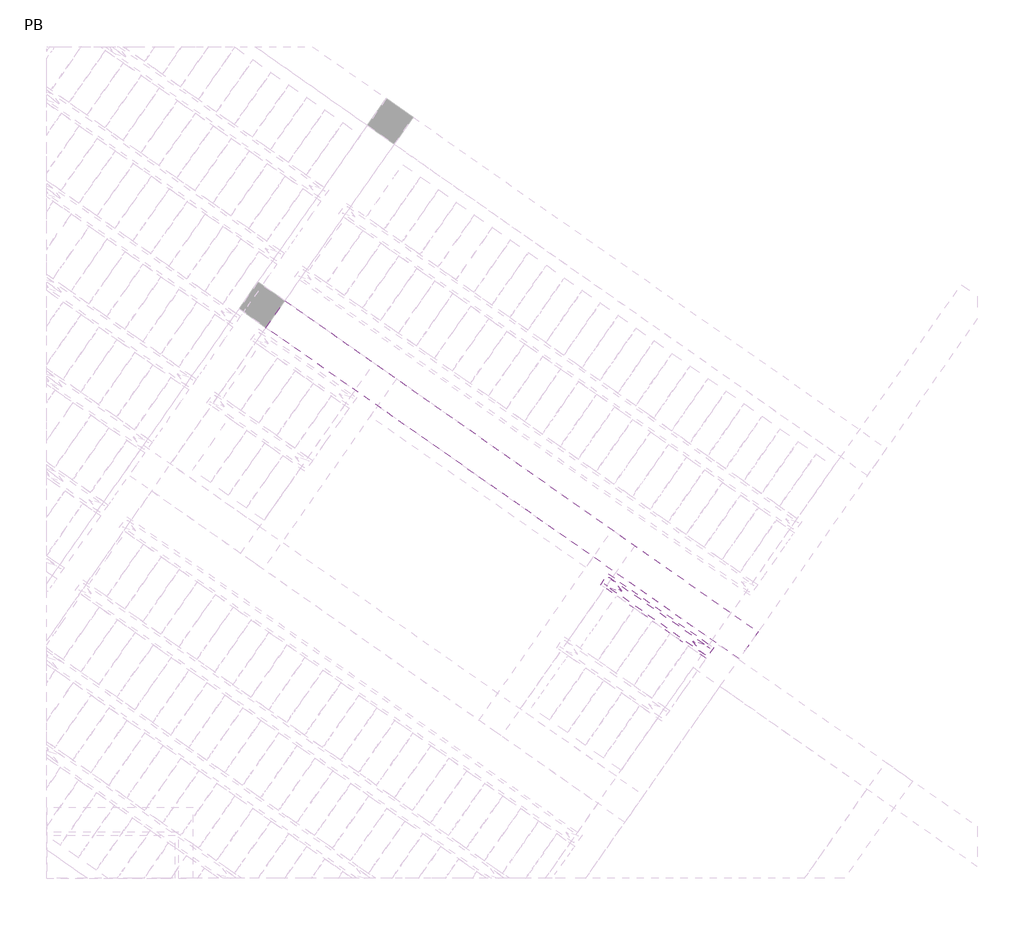
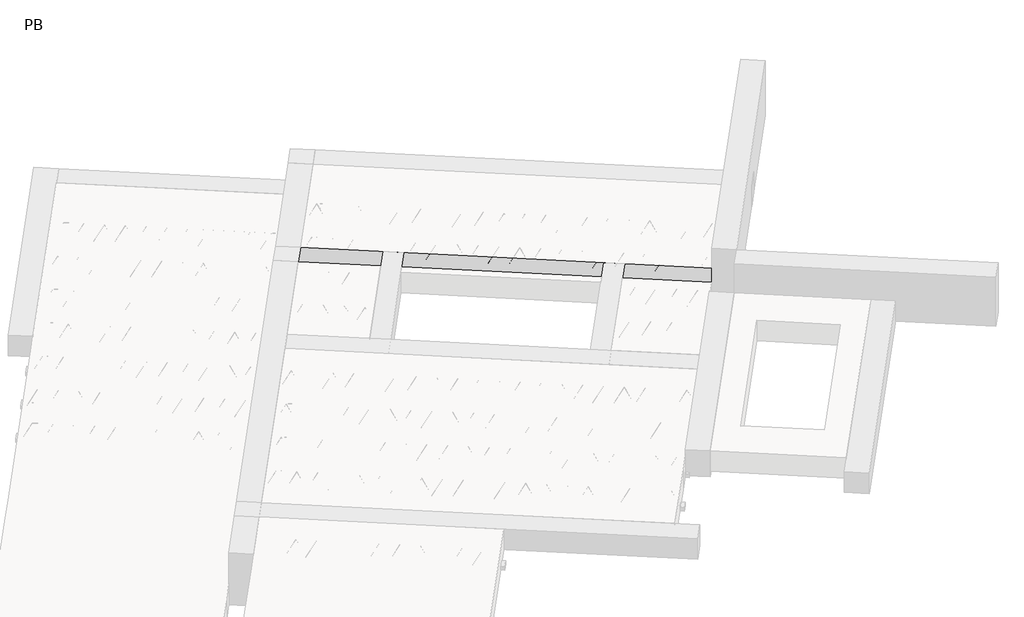
# One storey, part 43 of 56: 4 beams.
"""IFC4 building model written with IfcOpenShell, lengths in millimetres."""

from ifc_helpers import new_model, si_unit, point, frame, origin, origin_2d, place, context, project, spatial, polyline, circle_curve, trimmed, segment, composite_curve, outline, extrude, element, save

model = new_model("IFC4")

# Units and contexts
model_context = context("Model", 3, world=origin())
ifc_project = project(units=[si_unit("LENGTHUNIT", "METRE", prefix="MILLI")], contexts=[model_context])

# Site, building, storey
site = spatial("IfcSite", under=ifc_project)
building = spatial("IfcBuilding", under=site)
storey = spatial("IfcBuildingStorey", under=building, Name="PB", Elevation=95940.0)

# Beams
placement = place(None, origin())
element("IfcBeam", 1, at=placement, inside=storey, context=model_context, shape_type="SweptSolid", body=[
    extrude(outline(composite_curve([segment(trimmed(circle_curve(origin_2d(), 2.5), [point((-2.5, 0.0))], [point((2.5, 0.0))], False, "CARTESIAN"), True, "CONTINUOUS"), segment(trimmed(circle_curve(origin_2d(), 2.5), [point((2.5, 0.0))], [point((-2.5, 0.0))], False, "CARTESIAN"), True, "CONTINUOUS")], self_intersect=False)), frame((9872.3294915, 4335.8820361, 99245.0), z_axis=(-0.8191520442696126, 0.5735764363787226, 0.0), x_axis=(0.5735764363787226, 0.8191520442696126, 0.0)), (0.0, 0.0, 1.0), 1124.819566),
    extrude(outline(composite_curve([segment(trimmed(circle_curve(origin_2d(), 2.5), [point((-2.5, 0.0))], [point((2.5, 0.0))], False, "CARTESIAN"), True, "CONTINUOUS"), segment(trimmed(circle_curve(origin_2d(), 2.5), [point((2.5, 0.0))], [point((-2.5, 0.0))], False, "CARTESIAN"), True, "CONTINUOUS")], self_intersect=False)), frame((9780.4187384, 4444.1865235, 99470.0), z_axis=(-0.8191520442696126, 0.5735764363787226, 0.0), x_axis=(0.5735764363787226, 0.8191520442696126, 0.0)), (0.0, 0.0, 1.0), 850.0),
    extrude(outline(composite_curve([segment(trimmed(circle_curve(origin_2d(), 2.5), [point((-2.5, -1e-07))], [point((2.5, 0.0))], False, "CARTESIAN"), True, "CONTINUOUS"), segment(trimmed(circle_curve(origin_2d(), 2.5), [point((2.5, 0.0))], [point((-2.5, -1e-07))], False, "CARTESIAN"), True, "CONTINUOUS")], self_intersect=False)), frame((9821.20639, 4371.6788172, 99245.0), z_axis=(-0.3145304735701046, 0.38933448886848654, 0.8657304643902053), x_axis=(0.7778747638402499, 0.6284193279813057, 0.0)), (0.0, 0.0, 1.0), 259.8961331),
    extrude(outline(composite_curve([segment(trimmed(circle_curve(origin_2d(), 2.5), [point((2.5, -1e-07))], [point((-2.5, 0.0))], False, "CARTESIAN"), True, "CONTINUOUS"), segment(trimmed(circle_curve(origin_2d(), 2.5), [point((-2.5, 0.0))], [point((2.5, -1e-07))], False, "CARTESIAN"), True, "CONTINUOUS")], self_intersect=False)), frame((9616.418379, 4515.0729263, 99245.0), z_axis=(0.47343050384693375, -0.16240172737369005, 0.8657304643902051), x_axis=(-0.3244721671091268, -0.9458952440791246, 0.0)), (0.0, 0.0, 1.0), 259.8961331),
    extrude(outline(composite_curve([segment(trimmed(circle_curve(origin_2d(), 2.5), [point((-2.5000001, 0.0))], [point((2.5, 0.0))], False, "CARTESIAN"), True, "CONTINUOUS"), segment(trimmed(circle_curve(origin_2d(), 2.5), [point((2.5, 0.0))], [point((-2.5000001, 0.0))], False, "CARTESIAN"), True, "CONTINUOUS")], self_intersect=False)), frame((9616.418379, 4515.0729263, 99245.0), z_axis=(-0.3145304735701046, 0.38933448886848654, 0.8657304643902053), x_axis=(0.7778747638402499, 0.6284193279813057, 0.0)), (0.0, 0.0, 1.0), 259.8961331),
    extrude(outline(composite_curve([segment(trimmed(circle_curve(origin_2d(), 2.5), [point((2.5000001, 0.0))], [point((-2.5, 0.0))], False, "CARTESIAN"), True, "CONTINUOUS"), segment(trimmed(circle_curve(origin_2d(), 2.5), [point((-2.5, 0.0))], [point((2.5000001, 0.0))], False, "CARTESIAN"), True, "CONTINUOUS")], self_intersect=False)), frame((9411.6303679, 4658.4670354, 99245.0), z_axis=(0.47343050384693375, -0.16240172737369005, 0.8657304643902051), x_axis=(-0.3244721671091268, -0.9458952440791246, 0.0)), (0.0, 0.0, 1.0), 259.8961331),
    extrude(outline(composite_curve([segment(trimmed(circle_curve(origin_2d(), 2.5), [point((-2.5, -1e-07))], [point((2.5, 0.0))], False, "CARTESIAN"), True, "CONTINUOUS"), segment(trimmed(circle_curve(origin_2d(), 2.5), [point((2.5, 0.0))], [point((-2.5, -1e-07))], False, "CARTESIAN"), True, "CONTINUOUS")], self_intersect=False)), frame((9411.6303679, 4658.4670354, 99245.0), z_axis=(-0.3145304735701046, 0.38933448886848654, 0.8657304643902053), x_axis=(0.7778747638402499, 0.6284193279813057, 0.0)), (0.0, 0.0, 1.0), 259.8961331),
    extrude(outline(composite_curve([segment(trimmed(circle_curve(origin_2d(), 2.5), [point((2.5000001, 0.0))], [point((-2.5, 0.0))], False, "CARTESIAN"), True, "CONTINUOUS"), segment(trimmed(circle_curve(origin_2d(), 2.5), [point((-2.5, 0.0))], [point((2.5000001, 0.0))], False, "CARTESIAN"), True, "CONTINUOUS")], self_intersect=False)), frame((9206.8423568, 4801.8611445, 99245.0), z_axis=(0.47343050384693375, -0.16240172737369005, 0.8657304643902051), x_axis=(-0.3244721671091268, -0.9458952440791246, 0.0)), (0.0, 0.0, 1.0), 259.8961331),
    extrude(outline(composite_curve([segment(trimmed(circle_curve(origin_2d(), 2.5), [point((-2.5, -1e-07))], [point((2.5, 0.0))], False, "CARTESIAN"), True, "CONTINUOUS"), segment(trimmed(circle_curve(origin_2d(), 2.5), [point((2.5, 0.0))], [point((-2.5, -1e-07))], False, "CARTESIAN"), True, "CONTINUOUS")], self_intersect=False)), frame((9206.8423568, 4801.8611445, 99245.0), z_axis=(-0.3145304735701046, 0.38933448886848654, 0.8657304643902053), x_axis=(0.7778747638402499, 0.6284193279813057, 0.0)), (0.0, 0.0, 1.0), 259.8961331),
    extrude(outline(composite_curve([segment(trimmed(circle_curve(origin_2d(), 2.5), [point((2.5, -1e-07))], [point((-2.5000001, 0.0))], False, "CARTESIAN"), True, "CONTINUOUS"), segment(trimmed(circle_curve(origin_2d(), 2.5), [point((-2.5000001, 0.0))], [point((2.5, -1e-07))], False, "CARTESIAN"), True, "CONTINUOUS")], self_intersect=False)), frame((9002.0543458, 4945.2552535, 99245.0), z_axis=(0.47343050384693375, -0.16240172737369005, 0.8657304643902051), x_axis=(-0.3244721671091268, -0.9458952440791246, 0.0)), (0.0, 0.0, 1.0), 259.8961331),
    extrude(outline(composite_curve([segment(trimmed(circle_curve(origin_2d(), 2.5), [point((-2.5, 0.0))], [point((2.5, 0.0))], False, "CARTESIAN"), True, "CONTINUOUS"), segment(trimmed(circle_curve(origin_2d(), 2.5), [point((2.5, 0.0))], [point((-2.5, 0.0))], False, "CARTESIAN"), True, "CONTINUOUS")], self_intersect=False)), frame((9913.6269949, 4394.8609833, 99245.0), z_axis=(-0.8191520442696126, 0.5735764363787226, 0.0), x_axis=(0.5735764363787226, 0.8191520442696126, 0.0)), (0.0, 0.0, 1.0), 1124.819566),
    extrude(outline(composite_curve([segment(trimmed(circle_curve(origin_2d(), 2.5), [point((-2.5, 1e-07))], [point((2.5000001, 0.0))], False, "CARTESIAN"), True, "CONTINUOUS"), segment(trimmed(circle_curve(origin_2d(), 2.5), [point((2.5000001, 0.0))], [point((-2.5, 1e-07))], False, "CARTESIAN"), True, "CONTINUOUS")], self_intersect=False)), frame((9862.5038935, 4430.6577643, 99245.0), z_axis=(-0.47343050384693375, 0.16240172737369005, 0.8657304643902051), x_axis=(0.3244721671091268, 0.9458952440791246, 0.0)), (0.0, 0.0, 1.0), 259.8961331),
    extrude(outline(composite_curve([segment(trimmed(circle_curve(origin_2d(), 2.5), [point((2.5, 0.0))], [point((-2.5, -1e-07))], False, "CARTESIAN"), True, "CONTINUOUS"), segment(trimmed(circle_curve(origin_2d(), 2.5), [point((-2.5, -1e-07))], [point((2.5, 0.0))], False, "CARTESIAN"), True, "CONTINUOUS")], self_intersect=False)), frame((9657.7158824, 4574.0518734, 99245.0), z_axis=(0.3145304735701046, -0.38933448886848654, 0.8657304643902053), x_axis=(-0.7778747638402499, -0.6284193279813057, 0.0)), (0.0, 0.0, 1.0), 259.8961331),
    extrude(outline(composite_curve([segment(trimmed(circle_curve(origin_2d(), 2.5), [point((-2.5000001, 0.0))], [point((2.5, 0.0))], False, "CARTESIAN"), True, "CONTINUOUS"), segment(trimmed(circle_curve(origin_2d(), 2.5), [point((2.5, 0.0))], [point((-2.5000001, 0.0))], False, "CARTESIAN"), True, "CONTINUOUS")], self_intersect=False)), frame((9657.7158824, 4574.0518735, 99245.0), z_axis=(-0.47343050384693375, 0.16240172737369005, 0.8657304643902051), x_axis=(0.3244721671091268, 0.9458952440791246, 0.0)), (0.0, 0.0, 1.0), 259.8961331),
    extrude(outline(composite_curve([segment(trimmed(circle_curve(origin_2d(), 2.5), [point((2.5, 0.0))], [point((-2.5, -1e-07))], False, "CARTESIAN"), True, "CONTINUOUS"), segment(trimmed(circle_curve(origin_2d(), 2.5), [point((-2.5, -1e-07))], [point((2.5, 0.0))], False, "CARTESIAN"), True, "CONTINUOUS")], self_intersect=False)), frame((9452.9278713, 4717.4459825, 99245.0), z_axis=(0.3145304735701046, -0.38933448886848654, 0.8657304643902053), x_axis=(-0.7778747638402499, -0.6284193279813057, 0.0)), (0.0, 0.0, 1.0), 259.8961331),
    extrude(outline(composite_curve([segment(trimmed(circle_curve(origin_2d(), 2.5), [point((-2.5, 0.0))], [point((2.5000001, 0.0))], False, "CARTESIAN"), True, "CONTINUOUS"), segment(trimmed(circle_curve(origin_2d(), 2.5), [point((2.5000001, 0.0))], [point((-2.5, 0.0))], False, "CARTESIAN"), True, "CONTINUOUS")], self_intersect=False)), frame((9452.9278713, 4717.4459825, 99245.0), z_axis=(-0.47343050384693375, 0.16240172737369005, 0.8657304643902051), x_axis=(0.3244721671091268, 0.9458952440791246, 0.0)), (0.0, 0.0, 1.0), 259.8961331),
    extrude(outline(composite_curve([segment(trimmed(circle_curve(origin_2d(), 2.5), [point((2.5, 0.0))], [point((-2.5, -1e-07))], False, "CARTESIAN"), True, "CONTINUOUS"), segment(trimmed(circle_curve(origin_2d(), 2.5), [point((-2.5, -1e-07))], [point((2.5, 0.0))], False, "CARTESIAN"), True, "CONTINUOUS")], self_intersect=False)), frame((9248.1398602, 4860.8400916, 99245.0), z_axis=(0.3145304735701046, -0.38933448886848654, 0.8657304643902053), x_axis=(-0.7778747638402499, -0.6284193279813057, 0.0)), (0.0, 0.0, 1.0), 259.8961331),
    extrude(outline(composite_curve([segment(trimmed(circle_curve(origin_2d(), 2.5), [point((-2.5, 0.0))], [point((2.5000001, 0.0))], False, "CARTESIAN"), True, "CONTINUOUS"), segment(trimmed(circle_curve(origin_2d(), 2.5), [point((2.5000001, 0.0))], [point((-2.5, 0.0))], False, "CARTESIAN"), True, "CONTINUOUS")], self_intersect=False)), frame((9248.1398602, 4860.8400916, 99245.0), z_axis=(-0.47343050384693375, 0.16240172737369005, 0.8657304643902051), x_axis=(0.3244721671091268, 0.9458952440791246, 0.0)), (0.0, 0.0, 1.0), 259.8961331),
    extrude(outline(composite_curve([segment(trimmed(circle_curve(origin_2d(), 2.5), [point((2.5, 0.0))], [point((-2.5, -1e-07))], False, "CARTESIAN"), True, "CONTINUOUS"), segment(trimmed(circle_curve(origin_2d(), 2.5), [point((-2.5, -1e-07))], [point((2.5, 0.0))], False, "CARTESIAN"), True, "CONTINUOUS")], self_intersect=False)), frame((9043.3518492, 5004.2342007, 99245.0), z_axis=(0.3145304735701046, -0.38933448886848654, 0.8657304643902053), x_axis=(-0.7778747638402499, -0.6284193279813057, 0.0)), (0.0, 0.0, 1.0), 259.8961331),
])
element("IfcBeam", 2, at=placement, inside=storey, context=model_context, shape_type="SweptSolid", body=[
    extrude(outline(polyline([(8917.5057611, 4975.1582198), (8986.3349334, 5073.4564651), (9947.0524785, 4400.7547979), (9878.2233061, 4302.4565526), (8917.5057611, 4975.1582198)])), frame((0.0, 0.0, 99220.0), z_axis=(0.0, 0.0, 1.0), x_axis=(1.0, 0.0, 0.0)), (0.0, 0.0, 1.0), 50.0),
    extrude(outline(composite_curve([segment(trimmed(circle_curve(origin_2d(), 2.5), [point((-2.5, 0.0))], [point((2.5, 0.0))], False, "CARTESIAN"), True, "CONTINUOUS"), segment(trimmed(circle_curve(origin_2d(), 2.5), [point((2.5, 0.0))], [point((-2.5, 0.0))], False, "CARTESIAN"), True, "CONTINUOUS")], self_intersect=False)), frame((9872.3294915, 4335.8820361, 99245.0), z_axis=(-0.8191520442696126, 0.5735764363787226, 0.0), x_axis=(0.5735764363787226, 0.8191520442696126, 0.0)), (0.0, 0.0, 1.0), 1124.819566),
    extrude(outline(composite_curve([segment(trimmed(circle_curve(origin_2d(), 2.5), [point((-2.5, 0.0))], [point((2.5, 0.0))], False, "CARTESIAN"), True, "CONTINUOUS"), segment(trimmed(circle_curve(origin_2d(), 2.5), [point((2.5, 0.0))], [point((-2.5, 0.0))], False, "CARTESIAN"), True, "CONTINUOUS")], self_intersect=False)), frame((9780.4187384, 4444.1865235, 99470.0), z_axis=(-0.8191520442696126, 0.5735764363787226, 0.0), x_axis=(0.5735764363787226, 0.8191520442696126, 0.0)), (0.0, 0.0, 1.0), 850.0),
    extrude(outline(composite_curve([segment(trimmed(circle_curve(origin_2d(), 2.5), [point((-2.5, -1e-07))], [point((2.5, 0.0))], False, "CARTESIAN"), True, "CONTINUOUS"), segment(trimmed(circle_curve(origin_2d(), 2.5), [point((2.5, 0.0))], [point((-2.5, -1e-07))], False, "CARTESIAN"), True, "CONTINUOUS")], self_intersect=False)), frame((9821.20639, 4371.6788172, 99245.0), z_axis=(-0.3145304735701046, 0.38933448886848654, 0.8657304643902053), x_axis=(0.7778747638402499, 0.6284193279813057, 0.0)), (0.0, 0.0, 1.0), 259.8961331),
    extrude(outline(composite_curve([segment(trimmed(circle_curve(origin_2d(), 2.5), [point((2.5, -1e-07))], [point((-2.5, 0.0))], False, "CARTESIAN"), True, "CONTINUOUS"), segment(trimmed(circle_curve(origin_2d(), 2.5), [point((-2.5, 0.0))], [point((2.5, -1e-07))], False, "CARTESIAN"), True, "CONTINUOUS")], self_intersect=False)), frame((9616.418379, 4515.0729263, 99245.0), z_axis=(0.47343050384693375, -0.16240172737369005, 0.8657304643902051), x_axis=(-0.3244721671091268, -0.9458952440791246, 0.0)), (0.0, 0.0, 1.0), 259.8961331),
    extrude(outline(composite_curve([segment(trimmed(circle_curve(origin_2d(), 2.5), [point((-2.5000001, 0.0))], [point((2.5, 0.0))], False, "CARTESIAN"), True, "CONTINUOUS"), segment(trimmed(circle_curve(origin_2d(), 2.5), [point((2.5, 0.0))], [point((-2.5000001, 0.0))], False, "CARTESIAN"), True, "CONTINUOUS")], self_intersect=False)), frame((9616.418379, 4515.0729263, 99245.0), z_axis=(-0.3145304735701046, 0.38933448886848654, 0.8657304643902053), x_axis=(0.7778747638402499, 0.6284193279813057, 0.0)), (0.0, 0.0, 1.0), 259.8961331),
    extrude(outline(composite_curve([segment(trimmed(circle_curve(origin_2d(), 2.5), [point((2.5000001, 0.0))], [point((-2.5, 0.0))], False, "CARTESIAN"), True, "CONTINUOUS"), segment(trimmed(circle_curve(origin_2d(), 2.5), [point((-2.5, 0.0))], [point((2.5000001, 0.0))], False, "CARTESIAN"), True, "CONTINUOUS")], self_intersect=False)), frame((9411.6303679, 4658.4670354, 99245.0), z_axis=(0.47343050384693375, -0.16240172737369005, 0.8657304643902051), x_axis=(-0.3244721671091268, -0.9458952440791246, 0.0)), (0.0, 0.0, 1.0), 259.8961331),
    extrude(outline(composite_curve([segment(trimmed(circle_curve(origin_2d(), 2.5), [point((-2.5, -1e-07))], [point((2.5, 0.0))], False, "CARTESIAN"), True, "CONTINUOUS"), segment(trimmed(circle_curve(origin_2d(), 2.5), [point((2.5, 0.0))], [point((-2.5, -1e-07))], False, "CARTESIAN"), True, "CONTINUOUS")], self_intersect=False)), frame((9411.6303679, 4658.4670354, 99245.0), z_axis=(-0.3145304735701046, 0.38933448886848654, 0.8657304643902053), x_axis=(0.7778747638402499, 0.6284193279813057, 0.0)), (0.0, 0.0, 1.0), 259.8961331),
    extrude(outline(composite_curve([segment(trimmed(circle_curve(origin_2d(), 2.5), [point((2.5000001, 0.0))], [point((-2.5, 0.0))], False, "CARTESIAN"), True, "CONTINUOUS"), segment(trimmed(circle_curve(origin_2d(), 2.5), [point((-2.5, 0.0))], [point((2.5000001, 0.0))], False, "CARTESIAN"), True, "CONTINUOUS")], self_intersect=False)), frame((9206.8423568, 4801.8611445, 99245.0), z_axis=(0.47343050384693375, -0.16240172737369005, 0.8657304643902051), x_axis=(-0.3244721671091268, -0.9458952440791246, 0.0)), (0.0, 0.0, 1.0), 259.8961331),
    extrude(outline(composite_curve([segment(trimmed(circle_curve(origin_2d(), 2.5), [point((-2.5, -1e-07))], [point((2.5, 0.0))], False, "CARTESIAN"), True, "CONTINUOUS"), segment(trimmed(circle_curve(origin_2d(), 2.5), [point((2.5, 0.0))], [point((-2.5, -1e-07))], False, "CARTESIAN"), True, "CONTINUOUS")], self_intersect=False)), frame((9206.8423568, 4801.8611445, 99245.0), z_axis=(-0.3145304735701046, 0.38933448886848654, 0.8657304643902053), x_axis=(0.7778747638402499, 0.6284193279813057, 0.0)), (0.0, 0.0, 1.0), 259.8961331),
    extrude(outline(composite_curve([segment(trimmed(circle_curve(origin_2d(), 2.5), [point((2.5, -1e-07))], [point((-2.5000001, 0.0))], False, "CARTESIAN"), True, "CONTINUOUS"), segment(trimmed(circle_curve(origin_2d(), 2.5), [point((-2.5000001, 0.0))], [point((2.5, -1e-07))], False, "CARTESIAN"), True, "CONTINUOUS")], self_intersect=False)), frame((9002.0543458, 4945.2552535, 99245.0), z_axis=(0.47343050384693375, -0.16240172737369005, 0.8657304643902051), x_axis=(-0.3244721671091268, -0.9458952440791246, 0.0)), (0.0, 0.0, 1.0), 259.8961331),
    extrude(outline(composite_curve([segment(trimmed(circle_curve(origin_2d(), 2.5), [point((-2.5, 0.0))], [point((2.5, 0.0))], False, "CARTESIAN"), True, "CONTINUOUS"), segment(trimmed(circle_curve(origin_2d(), 2.5), [point((2.5, 0.0))], [point((-2.5, 0.0))], False, "CARTESIAN"), True, "CONTINUOUS")], self_intersect=False)), frame((9913.6269949, 4394.8609833, 99245.0), z_axis=(-0.8191520442696126, 0.5735764363787226, 0.0), x_axis=(0.5735764363787226, 0.8191520442696126, 0.0)), (0.0, 0.0, 1.0), 1124.819566),
    extrude(outline(composite_curve([segment(trimmed(circle_curve(origin_2d(), 2.5), [point((-2.5, 1e-07))], [point((2.5000001, 0.0))], False, "CARTESIAN"), True, "CONTINUOUS"), segment(trimmed(circle_curve(origin_2d(), 2.5), [point((2.5000001, 0.0))], [point((-2.5, 1e-07))], False, "CARTESIAN"), True, "CONTINUOUS")], self_intersect=False)), frame((9862.5038935, 4430.6577643, 99245.0), z_axis=(-0.47343050384693375, 0.16240172737369005, 0.8657304643902051), x_axis=(0.3244721671091268, 0.9458952440791246, 0.0)), (0.0, 0.0, 1.0), 259.8961331),
    extrude(outline(composite_curve([segment(trimmed(circle_curve(origin_2d(), 2.5), [point((2.5, 0.0))], [point((-2.5, -1e-07))], False, "CARTESIAN"), True, "CONTINUOUS"), segment(trimmed(circle_curve(origin_2d(), 2.5), [point((-2.5, -1e-07))], [point((2.5, 0.0))], False, "CARTESIAN"), True, "CONTINUOUS")], self_intersect=False)), frame((9657.7158824, 4574.0518734, 99245.0), z_axis=(0.3145304735701046, -0.38933448886848654, 0.8657304643902053), x_axis=(-0.7778747638402499, -0.6284193279813057, 0.0)), (0.0, 0.0, 1.0), 259.8961331),
    extrude(outline(composite_curve([segment(trimmed(circle_curve(origin_2d(), 2.5), [point((-2.5000001, 0.0))], [point((2.5, 0.0))], False, "CARTESIAN"), True, "CONTINUOUS"), segment(trimmed(circle_curve(origin_2d(), 2.5), [point((2.5, 0.0))], [point((-2.5000001, 0.0))], False, "CARTESIAN"), True, "CONTINUOUS")], self_intersect=False)), frame((9657.7158824, 4574.0518735, 99245.0), z_axis=(-0.47343050384693375, 0.16240172737369005, 0.8657304643902051), x_axis=(0.3244721671091268, 0.9458952440791246, 0.0)), (0.0, 0.0, 1.0), 259.8961331),
    extrude(outline(composite_curve([segment(trimmed(circle_curve(origin_2d(), 2.5), [point((2.5, 0.0))], [point((-2.5, -1e-07))], False, "CARTESIAN"), True, "CONTINUOUS"), segment(trimmed(circle_curve(origin_2d(), 2.5), [point((-2.5, -1e-07))], [point((2.5, 0.0))], False, "CARTESIAN"), True, "CONTINUOUS")], self_intersect=False)), frame((9452.9278713, 4717.4459825, 99245.0), z_axis=(0.3145304735701046, -0.38933448886848654, 0.8657304643902053), x_axis=(-0.7778747638402499, -0.6284193279813057, 0.0)), (0.0, 0.0, 1.0), 259.8961331),
    extrude(outline(composite_curve([segment(trimmed(circle_curve(origin_2d(), 2.5), [point((-2.5, 0.0))], [point((2.5000001, 0.0))], False, "CARTESIAN"), True, "CONTINUOUS"), segment(trimmed(circle_curve(origin_2d(), 2.5), [point((2.5000001, 0.0))], [point((-2.5, 0.0))], False, "CARTESIAN"), True, "CONTINUOUS")], self_intersect=False)), frame((9452.9278713, 4717.4459825, 99245.0), z_axis=(-0.47343050384693375, 0.16240172737369005, 0.8657304643902051), x_axis=(0.3244721671091268, 0.9458952440791246, 0.0)), (0.0, 0.0, 1.0), 259.8961331),
    extrude(outline(composite_curve([segment(trimmed(circle_curve(origin_2d(), 2.5), [point((2.5, 0.0))], [point((-2.5, -1e-07))], False, "CARTESIAN"), True, "CONTINUOUS"), segment(trimmed(circle_curve(origin_2d(), 2.5), [point((-2.5, -1e-07))], [point((2.5, 0.0))], False, "CARTESIAN"), True, "CONTINUOUS")], self_intersect=False)), frame((9248.1398602, 4860.8400916, 99245.0), z_axis=(0.3145304735701046, -0.38933448886848654, 0.8657304643902053), x_axis=(-0.7778747638402499, -0.6284193279813057, 0.0)), (0.0, 0.0, 1.0), 259.8961331),
    extrude(outline(composite_curve([segment(trimmed(circle_curve(origin_2d(), 2.5), [point((-2.5, 0.0))], [point((2.5000001, 0.0))], False, "CARTESIAN"), True, "CONTINUOUS"), segment(trimmed(circle_curve(origin_2d(), 2.5), [point((2.5000001, 0.0))], [point((-2.5, 0.0))], False, "CARTESIAN"), True, "CONTINUOUS")], self_intersect=False)), frame((9248.1398602, 4860.8400916, 99245.0), z_axis=(-0.47343050384693375, 0.16240172737369005, 0.8657304643902051), x_axis=(0.3244721671091268, 0.9458952440791246, 0.0)), (0.0, 0.0, 1.0), 259.8961331),
    extrude(outline(composite_curve([segment(trimmed(circle_curve(origin_2d(), 2.5), [point((2.5, 0.0))], [point((-2.5, -1e-07))], False, "CARTESIAN"), True, "CONTINUOUS"), segment(trimmed(circle_curve(origin_2d(), 2.5), [point((-2.5, -1e-07))], [point((2.5, 0.0))], False, "CARTESIAN"), True, "CONTINUOUS")], self_intersect=False)), frame((9043.3518492, 5004.2342007, 99245.0), z_axis=(0.3145304735701046, -0.38933448886848654, 0.8657304643902053), x_axis=(-0.7778747638402499, -0.6284193279813057, 0.0)), (0.0, 0.0, 1.0), 259.8961331),
])
element("IfcBeam", 3, at=placement, inside=storey, context=model_context, shape_type="SweptSolid", body=[
    extrude(outline(polyline([(6130.2678684, 7781.3454153), (6199.0970408, 7879.6436606), (10348.5559839, 4974.1612289), (10279.7268116, 4875.8629836), (6130.2678684, 7781.3454153)])), frame((0.0, 0.0, 99220.0), z_axis=(0.0, 0.0, 1.0), x_axis=(1.0, 0.0, 0.0)), (0.0, 0.0, 1.0), 50.0),
])
element("IfcBeam", 4, at=placement, inside=storey, context=model_context, shape_type="SweptSolid", body=[
    extrude(outline(polyline([(10352.0002655, 4543.2184739), (10179.9273346, 4297.4728606), (5866.6379801, 7317.6705813), (6038.7109111, 7563.4161945), (10352.0002655, 4543.2184739)])), frame((0.0, 0.0, 99220.0), z_axis=(0.0, 0.0, 1.0), x_axis=(1.0, 0.0, 0.0)), (0.0, 0.0, 1.0), 300.0),
])

save(model, "model.ifc")
